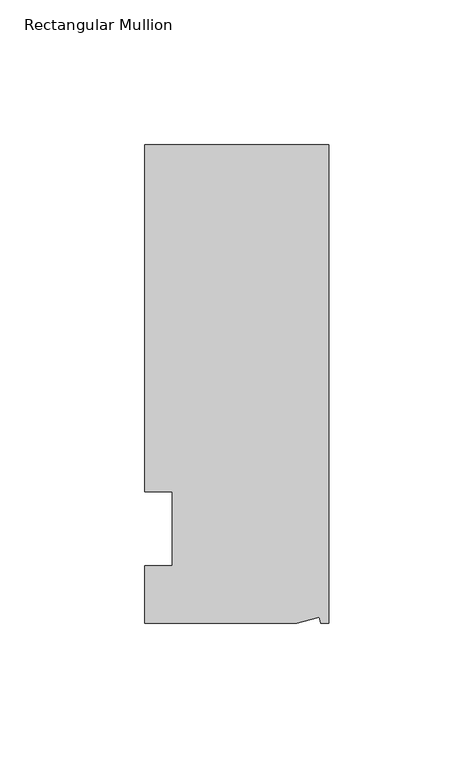
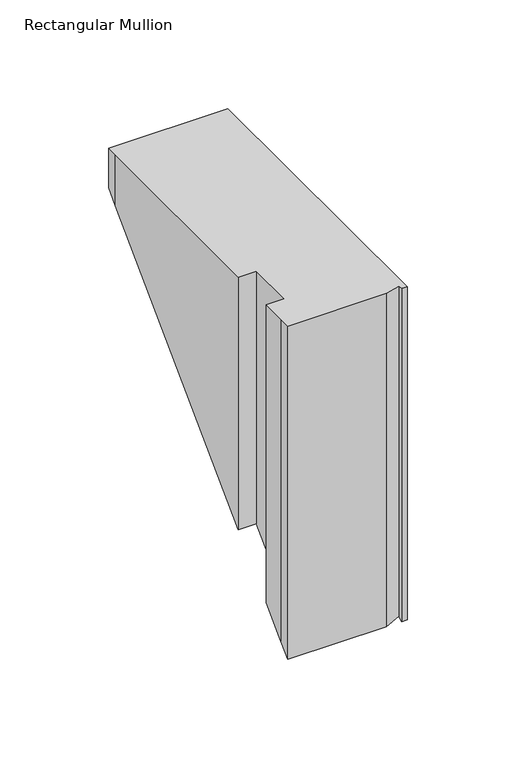
"""IFC4 building model written with IfcOpenShell, lengths in millimetres: member geometry, Rectangular Mullion."""

from ifc_helpers import new_model, si_unit, origin, place, context, project, spatial, faceted_brep, source, transform, mapped, element, save


def rectangular_mullion_a4b4d23a(model_context):
    return source(origin(), model_context, "Body", "Brep", [
        faceted_brep([(0.0, 132.5561012, 0.0), (-63.5, 132.5561012, 0.0), (-63.5, 126.2061012, 0.0), (-63.5, 12.8488281, 0.0), (-53.975, 12.8488281, 0.0), (-53.975, -12.7, 0.0), (-63.5, -12.7, 0.0), (-63.5, -26.1938988, 0.0), (-63.5076469, -32.5438988, 0.0), (-11.1125, -32.5438988, 0.0), (-3.3223696, -30.4565397, 0.0), (-2.7630634, -32.5438988, 0.0), (0.0, -32.5438988, 0.0), (0.0, -32.5438988, -187.4774858), (0.0, 132.5561012, -22.3774858), (-63.5, 132.5561012, -22.3774858), (-63.5, 126.2061012, -28.7274858), (-63.5, 12.8488281, -142.0847589), (-53.975, 12.8488281, -142.0847589), (-53.975, -12.7, -167.633587), (-63.5, -12.7, -167.633587), (-63.5, -26.1938988, -181.1274858), (-63.5076469, -32.5438988, -187.4774858), (-11.1125, -32.5438988, -187.4774858), (-3.3223696, -30.4565397, -185.3901267), (-2.7630634, -32.5438988, -187.4774858)], [[[0, 1, 2, 3, 4, 5, 6, 7, 8, 9, 10, 11, 12]], [[0, 12, 13, 14]], [[1, 0, 14, 15]], [[3, 2, 16, 17]], [[4, 3, 17, 18]], [[5, 4, 18, 19]], [[6, 5, 19, 20]], [[7, 6, 20, 21]], [[9, 8, 22, 23]], [[10, 9, 23, 24]], [[11, 10, 24, 25]], [[12, 11, 25, 13]], [[14, 13, 25, 24, 23, 22, 21, 20, 19, 18, 17, 16, 15]], [[2, 1, 15, 16]], [[8, 7, 21, 22]]]),
    ])


if __name__ == "__main__":
    model = new_model("IFC4")
    model_context = context("Model", 3, world=origin())
    ifc_project = project(units=[si_unit("LENGTHUNIT", "METRE", prefix="MILLI")], contexts=[model_context])
    site = spatial("IfcSite", under=ifc_project)
    building = spatial("IfcBuilding", under=site)
    placement = place(None, origin())
    rectangular_mullion_shape = rectangular_mullion_a4b4d23a(model_context)
    element("IfcMember", 1, ObjectType="Rectangular Mullion", at=placement, inside=building, context=model_context, shape_type="MappedRepresentation", body=[
        mapped(rectangular_mullion_shape, transform((0.0, 0.0, 0.0), x_axis=(1.0, 0.0, 0.0), y_axis=(0.0, 1.0, 0.0), z_axis=(0.0, 0.0, 1.0))),
    ])
    save(model, "model.ifc")
